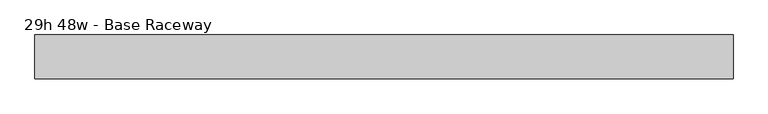
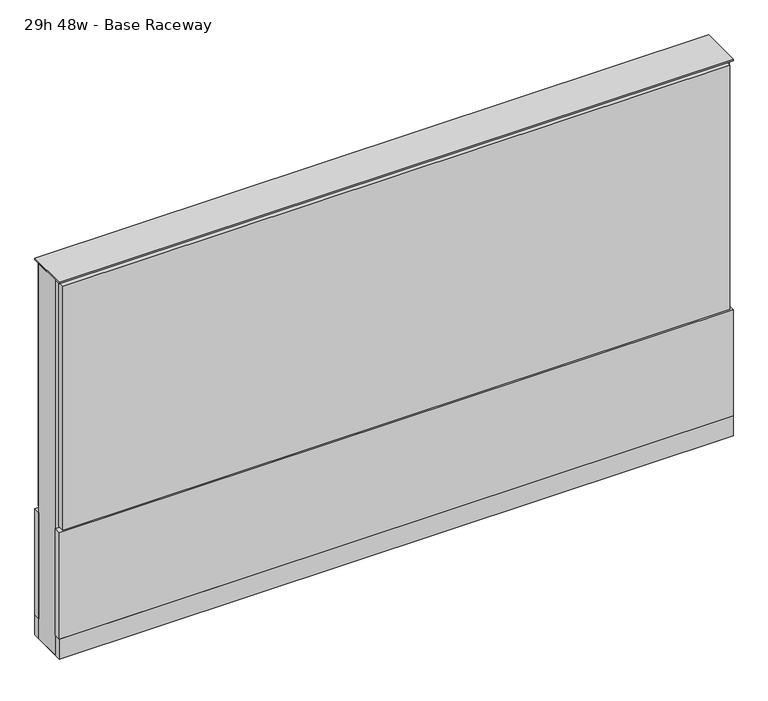
"""IFC4 building model written with IfcOpenShell, lengths in millimetres: furniture geometry, 29h 48w - Base Raceway."""

from ifc_helpers import new_model, si_unit, point, frame, frame_2d, origin, origin_with_axes, place, context, project, spatial, polyline, circle_curve, trimmed, segment, composite_curve, outline, extrude, source, transform, mapped, element, save


def furniture_29h_48w_base_raceway_f0f2a672(model_context):
    return source(origin(), model_context, "Body", "SweptSolid", [
        extrude(outline(composite_curve([segment(trimmed(circle_curve(frame_2d((535.8402902, 0.0)), 12.7), [point((523.1402902, 0.0))], [point((548.5402902, 0.0))], False, "CARTESIAN"), True, "CONTINUOUS"), segment(trimmed(circle_curve(frame_2d((535.8402902, 0.0)), 12.7), [point((548.5402902, 0.0))], [point((523.1402902, 0.0))], False, "CARTESIAN"), True, "CONTINUOUS")], self_intersect=False)), origin_with_axes(), (0.0, 0.0, 1.0), 12.7),
        extrude(outline(composite_curve([segment(trimmed(circle_curve(frame_2d((-530.9597098, 0.0)), 12.7), [point((-543.6597098, 0.0))], [point((-518.2597098, 0.0))], False, "CARTESIAN"), True, "CONTINUOUS"), segment(trimmed(circle_curve(frame_2d((-530.9597098, 0.0)), 12.7), [point((-518.2597098, 0.0))], [point((-543.6597098, 0.0))], False, "CARTESIAN"), True, "CONTINUOUS")], self_intersect=False)), origin_with_axes(), (0.0, 0.0, 1.0), 12.7),
        extrude(outline(polyline([(605.6902902, 38.1), (605.6902902, 25.4), (-600.8097098, 25.4), (-600.8097098, 38.1), (605.6902902, 38.1)])), frame((0.0, 0.0, 257.175), z_axis=(0.0, 0.0, 1.0), x_axis=(1.0, 0.0, 0.0)), (0.0, 0.0, 1.0), 466.725),
        extrude(outline(polyline([(612.0402902, 38.1), (612.0402902, 25.4), (-607.1597098, 25.4), (-607.1597098, 38.1), (612.0402902, 38.1)])), frame((0.0, 0.0, 50.8), z_axis=(0.0, 0.0, 1.0), x_axis=(1.0, 0.0, 0.0)), (0.0, 0.0, 1.0), 203.2),
        extrude(outline(polyline([(612.0402902, -38.1), (-607.1597098, -38.1), (-607.1597098, -25.4), (612.0402902, -25.4), (612.0402902, -38.1)])), frame((0.0, 0.0, 50.8), z_axis=(0.0, 0.0, 1.0), x_axis=(1.0, 0.0, 0.0)), (0.0, 0.0, 1.0), 203.2),
        extrude(outline(polyline([(605.6902902, -38.1), (-600.8097098, -38.1), (-600.8097098, -25.4), (605.6902902, -25.4), (605.6902902, -38.1)])), frame((0.0, 0.0, 257.175), z_axis=(0.0, 0.0, 1.0), x_axis=(1.0, 0.0, 0.0)), (0.0, 0.0, 1.0), 466.725),
        extrude(outline(polyline([(612.0402902, 25.4), (612.0402902, -25.4), (-607.1597098, -25.4), (-607.1597098, 25.4), (612.0402902, 25.4)])), frame((0.0, 0.0, 12.7), z_axis=(0.0, 0.0, 1.0), x_axis=(1.0, 0.0, 0.0)), (0.0, 0.0, 1.0), 717.55),
        extrude(outline(polyline([(-607.1597098, -38.1), (-607.1597098, 38.1), (612.0402902, 38.1), (612.0402902, -38.1), (-607.1597098, -38.1)])), frame((0.0, 0.0, 12.7), z_axis=(0.0, 0.0, 1.0), x_axis=(1.0, 0.0, 0.0)), (0.0, 0.0, 1.0), 38.1),
        extrude(outline(polyline([(-607.1597098, -38.1), (-607.1597098, 38.1), (612.0402902, 38.1), (612.0402902, -38.1), (-607.1597098, -38.1)])), frame((0.0, 0.0, 730.25), z_axis=(0.0, 0.0, 1.0), x_axis=(1.0, 0.0, 0.0)), (0.0, 0.0, 1.0), 3.175),
    ])


if __name__ == "__main__":
    model = new_model("IFC4")
    model_context = context("Model", 3, world=origin())
    ifc_project = project(units=[si_unit("LENGTHUNIT", "METRE", prefix="MILLI")], contexts=[model_context])
    site = spatial("IfcSite", under=ifc_project)
    building = spatial("IfcBuilding", under=site)
    placement = place(None, origin())
    furniture_29h_48w_base_raceway_shape = furniture_29h_48w_base_raceway_f0f2a672(model_context)
    element("IfcFurniture", 1, ObjectType="29h 48w - Base Raceway", at=placement, inside=building, context=model_context, shape_type="MappedRepresentation", body=[
        mapped(furniture_29h_48w_base_raceway_shape, transform((0.0, 0.0, 0.0), x_axis=(1.0, 0.0, 0.0), y_axis=(0.0, 1.0, 0.0), z_axis=(0.0, 0.0, 1.0))),
    ])
    save(model, "model.ifc")
